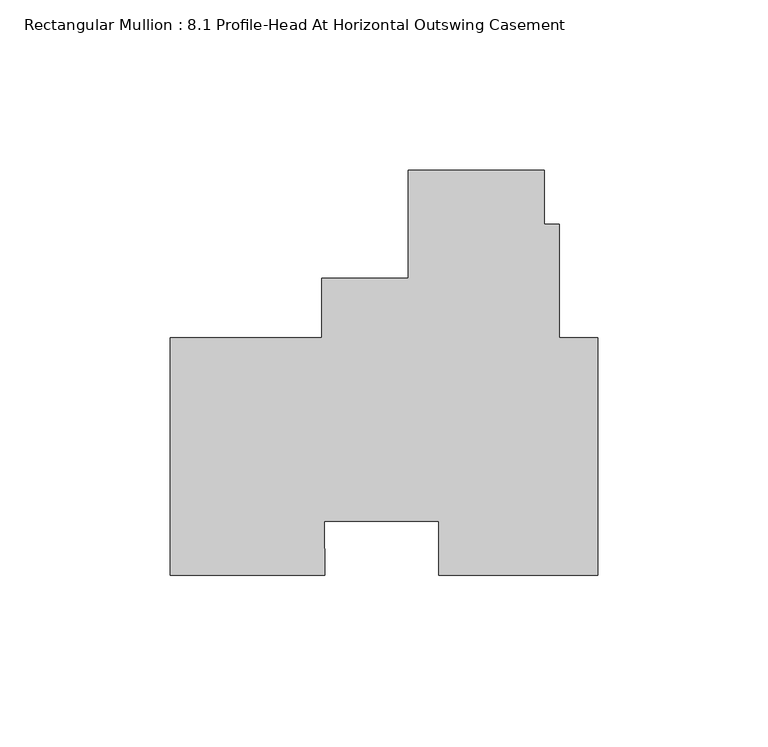
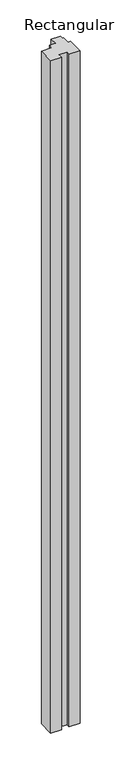
"""IFC4 building model written with IfcOpenShell, lengths in millimetres: member geometry, Rectangular Mullion : 8.1 Profile-Head At Horizontal Outswing Casement."""

from ifc_helpers import new_model, si_unit, frame, origin, place, context, project, spatial, polyline, outline, extrude, source, transform, mapped, element, save


def rectangular_mullion_8_1_profile_head_at_horizontal_outswing_84f96f60(model_context):
    return source(origin(), model_context, "Body", "SweptSolid", [
        extrude(outline(polyline([(-81.140198, 18.25625), (-81.140198, 35.73145), (-55.740198, 35.73145), (-55.740198, 67.47962), (-15.7432204, 67.47962), (-15.7432204, 51.6055295), (-11.2982204, 51.6055295), (-11.2982204, 18.25625), (0.0, 18.25625), (0.0, -51.59375), (-46.8497888, -51.59375), (-46.8497888, -35.71875), (-80.4751121, -35.71875), (-80.2810629, -51.59375), (-125.7808, -51.59375), (-125.7808, 18.25625), (-81.140198, 18.25625)])), frame((0.0, 0.0, -3048.0), z_axis=(0.0, 0.0, 1.0), x_axis=(1.0, 0.0, 0.0)), (0.0, 0.0, 1.0), 3048.0),
    ])


if __name__ == "__main__":
    model = new_model("IFC4")
    model_context = context("Model", 3, world=origin())
    ifc_project = project(units=[si_unit("LENGTHUNIT", "METRE", prefix="MILLI")], contexts=[model_context])
    site = spatial("IfcSite", under=ifc_project)
    building = spatial("IfcBuilding", under=site)
    placement = place(None, origin())
    rectangular_mullion_8_1_profile_head_at_horizontal_outswing_shape = rectangular_mullion_8_1_profile_head_at_horizontal_outswing_84f96f60(model_context)
    element("IfcMember", 1, ObjectType="Rectangular Mullion : 8.1 Profile-Head At Horizontal Outswing Casement", at=placement, inside=building, context=model_context, shape_type="MappedRepresentation", body=[
        mapped(rectangular_mullion_8_1_profile_head_at_horizontal_outswing_shape, transform((0.0, 0.0, 0.0), x_axis=(1.0, 0.0, 0.0), y_axis=(0.0, 1.0, 0.0), z_axis=(0.0, 0.0, 1.0))),
    ])
    save(model, "model.ifc")
